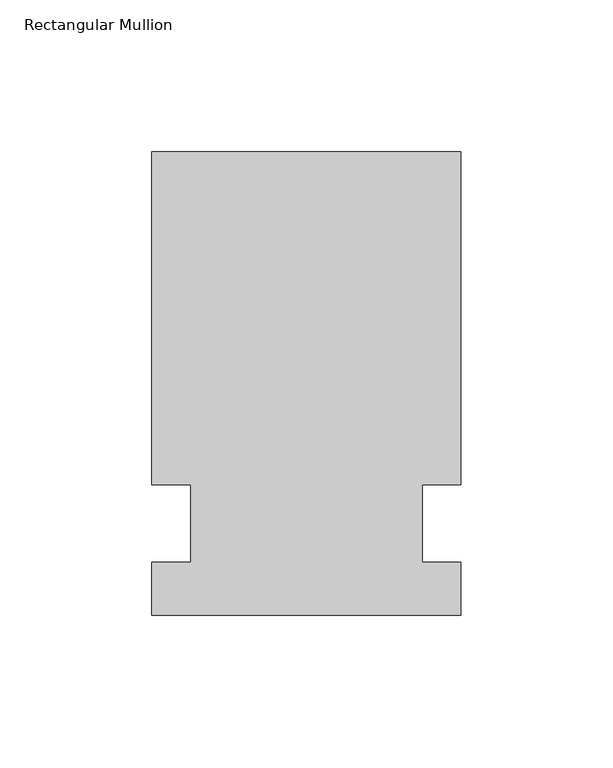
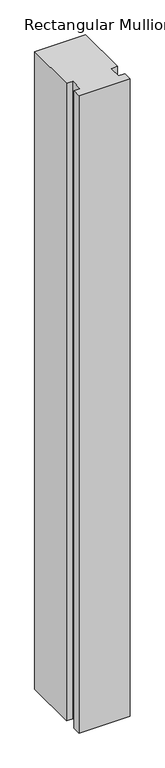
"""IFC4 building model written with IfcOpenShell, lengths in millimetres: member geometry, Rectangular Mullion."""

from ifc_helpers import new_model, si_unit, frame, origin, place, context, project, spatial, polyline, outline, extrude, source, transform, mapped, element, save


def rectangular_mullion_3e9597e7(model_context):
    return source(origin(), model_context, "Body", "SweptSolid", [
        extrude(outline(polyline([(55.1344027, 122.2375), (55.1344027, 12.7), (42.4326322, 12.7), (42.4326322, -12.7), (55.1344027, -12.7), (55.1344027, -30.1625), (-46.4655973, -30.1625), (-46.4655973, -12.7), (-33.7655973, -12.7), (-33.7655973, 12.7), (-46.4655973, 12.7), (-46.4655973, 122.2375), (55.1344027, 122.2375)])), frame((0.0, 0.0, -1340.807264), z_axis=(0.0, 0.0, 1.0), x_axis=(1.0, 0.0, 0.0)), (0.0, 0.0, 1.0), 1340.807264),
    ])


if __name__ == "__main__":
    model = new_model("IFC4")
    model_context = context("Model", 3, world=origin())
    ifc_project = project(units=[si_unit("LENGTHUNIT", "METRE", prefix="MILLI")], contexts=[model_context])
    site = spatial("IfcSite", under=ifc_project)
    building = spatial("IfcBuilding", under=site)
    placement = place(None, origin())
    rectangular_mullion_shape = rectangular_mullion_3e9597e7(model_context)
    element("IfcMember", 1, ObjectType="Rectangular Mullion", at=placement, inside=building, context=model_context, shape_type="MappedRepresentation", body=[
        mapped(rectangular_mullion_shape, transform((0.0, 0.0, 0.0), x_axis=(1.0, 0.0, 0.0), y_axis=(0.0, 1.0, 0.0), z_axis=(0.0, 0.0, 1.0))),
    ])
    save(model, "model.ifc")
